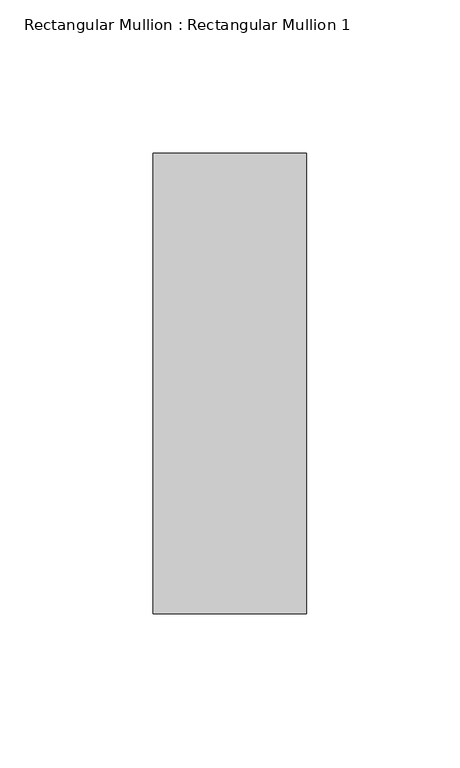
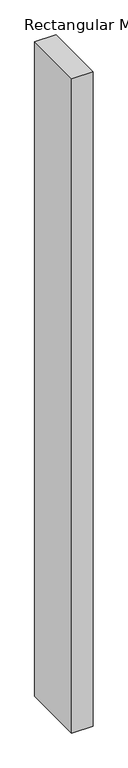
"""IFC4 building model written with IfcOpenShell, lengths in millimetres: member geometry, Rectangular Mullion : Rectangular Mullion 1."""

from ifc_helpers import new_model, si_unit, frame, origin, place, context, project, spatial, polyline, outline, extrude, source, transform, mapped, element, save


def rectangular_mullion_rectangular_mullion_1_f3f87aca(model_context):
    return source(origin(), model_context, "Body", "SweptSolid", [
        extrude(outline(polyline([(0.0, 75.0), (0.0, -75.0), (-50.0, -75.0), (-50.0, 75.0), (0.0, 75.0)])), frame((0.0, 0.0, -1620.0), z_axis=(0.0, 0.0, 1.0), x_axis=(1.0, 0.0, 0.0)), (0.0, 0.0, 1.0), 1620.0),
    ])


if __name__ == "__main__":
    model = new_model("IFC4")
    model_context = context("Model", 3, world=origin())
    ifc_project = project(units=[si_unit("LENGTHUNIT", "METRE", prefix="MILLI")], contexts=[model_context])
    site = spatial("IfcSite", under=ifc_project)
    building = spatial("IfcBuilding", under=site)
    placement = place(None, origin())
    rectangular_mullion_rectangular_mullion_1_shape = rectangular_mullion_rectangular_mullion_1_f3f87aca(model_context)
    element("IfcMember", 1, ObjectType="Rectangular Mullion : Rectangular Mullion 1", at=placement, inside=building, context=model_context, shape_type="MappedRepresentation", body=[
        mapped(rectangular_mullion_rectangular_mullion_1_shape, transform((0.0, 0.0, 0.0), x_axis=(1.0, 0.0, 0.0), y_axis=(0.0, 1.0, 0.0), z_axis=(0.0, 0.0, 1.0))),
    ])
    save(model, "model.ifc")
